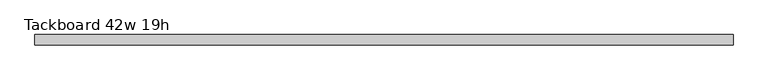
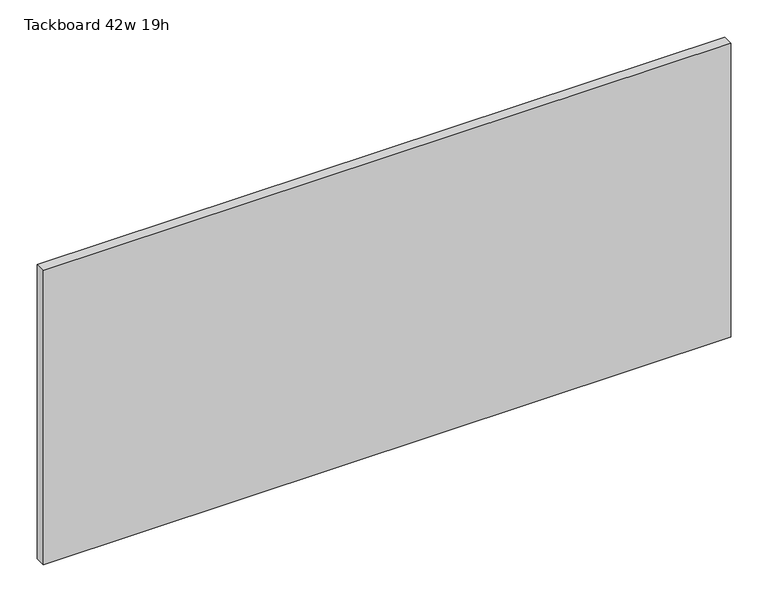
"""IFC4 building model written with IfcOpenShell, lengths in millimetres: furniture geometry, Tackboard 42w 19h."""

from ifc_helpers import new_model, si_unit, frame, origin, place, context, project, spatial, polyline, outline, extrude, source, transform, mapped, element, save


def tackboard_42w_19h_03467154(model_context):
    return source(origin(), model_context, "Body", "SweptSolid", [
        extrude(outline(polyline([(535.8402902, -28.8968594), (-530.9597098, -28.8968594), (-530.9597098, -13.0218594), (535.8402902, -13.0218594), (535.8402902, -28.8968594)])), frame((0.0, 0.0, 1066.8), z_axis=(0.0, 0.0, 1.0), x_axis=(1.0, 0.0, 0.0)), (0.0, 0.0, 1.0), 482.6),
    ])


if __name__ == "__main__":
    model = new_model("IFC4")
    model_context = context("Model", 3, world=origin())
    ifc_project = project(units=[si_unit("LENGTHUNIT", "METRE", prefix="MILLI")], contexts=[model_context])
    site = spatial("IfcSite", under=ifc_project)
    building = spatial("IfcBuilding", under=site)
    placement = place(None, origin())
    tackboard_42w_19h_shape = tackboard_42w_19h_03467154(model_context)
    element("IfcFurniture", 1, ObjectType="Tackboard 42w 19h", at=placement, inside=building, context=model_context, shape_type="MappedRepresentation", body=[
        mapped(tackboard_42w_19h_shape, transform((0.0, 0.0, 0.0), x_axis=(1.0, 0.0, 0.0), y_axis=(0.0, 1.0, 0.0), z_axis=(0.0, 0.0, 1.0))),
    ])
    save(model, "model.ifc")
